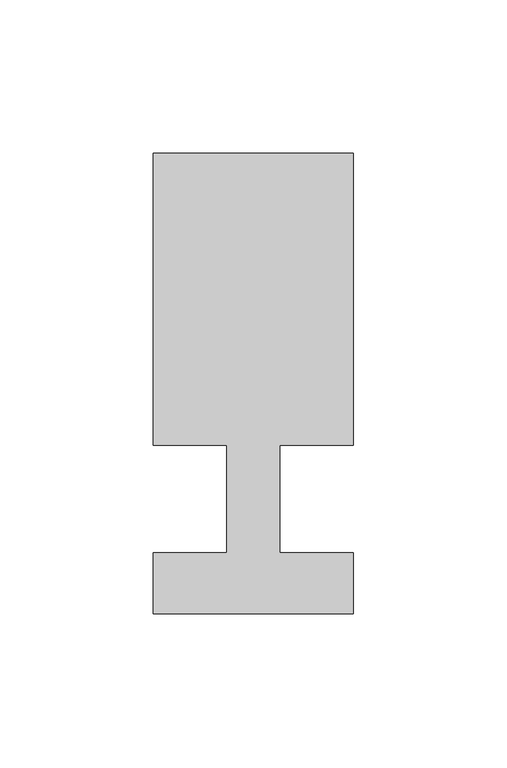
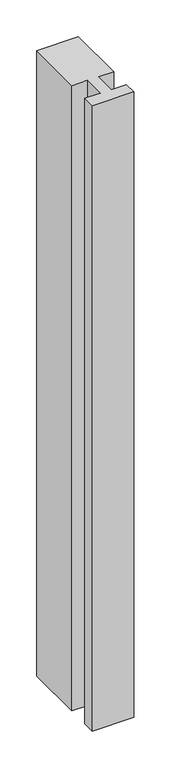
"""IFC4 building model written with IfcOpenShell, lengths in millimetres: member geometry."""

from ifc_helpers import new_model, si_unit, frame, origin, place, context, project, spatial, polyline, outline, extrude, source, transform, mapped, element, save


def member_45911892(model_context):
    return source(origin(), model_context, "Body", "SweptSolid", [
        extrude(outline(polyline([(-65.0, -37.0), (-65.0, -17.0), (-41.1875, -17.0), (-41.1875, 18.0), (-65.0, 18.0), (-65.0, 113.0), (0.0, 113.0), (0.0, 18.0), (-23.8125, 18.0), (-23.8125, -17.0), (0.0, -17.0), (0.0, -37.0), (-65.0, -37.0)])), frame((0.0, 0.0, -1034.0982143), z_axis=(0.0, 0.0, 1.0), x_axis=(1.0, 0.0, 0.0)), (0.0, 0.0, 1.0), 1034.0982143),
    ])


if __name__ == "__main__":
    model = new_model("IFC4")
    model_context = context("Model", 3, world=origin())
    ifc_project = project(units=[si_unit("LENGTHUNIT", "METRE", prefix="MILLI")], contexts=[model_context])
    site = spatial("IfcSite", under=ifc_project)
    building = spatial("IfcBuilding", under=site)
    placement = place(None, origin())
    member_shape = member_45911892(model_context)
    element("IfcMember", 1, at=placement, inside=building, context=model_context, shape_type="MappedRepresentation", body=[
        mapped(member_shape, transform((0.0, 0.0, 0.0), x_axis=(1.0, 0.0, 0.0), y_axis=(0.0, 1.0, 0.0), z_axis=(0.0, 0.0, 1.0))),
    ])
    save(model, "model.ifc")
